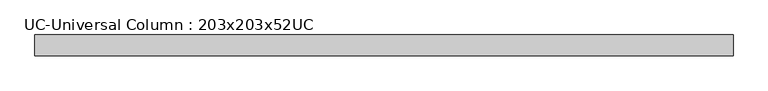
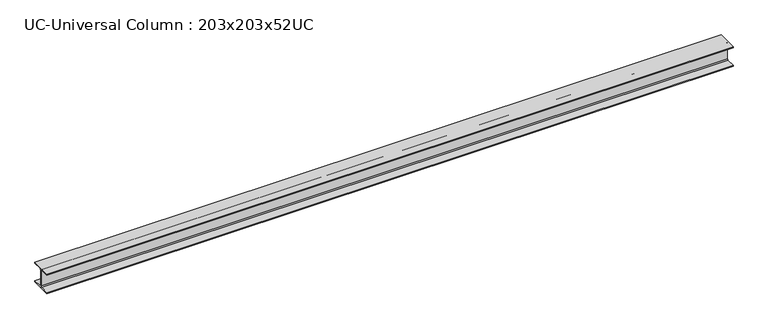
"""IFC4 building model written with IfcOpenShell, lengths in millimetres: beam geometry, UC-Universal Column : 203x203x52UC."""

from ifc_helpers import new_model, si_unit, point, frame, frame_2d, origin, place, context, project, spatial, polyline, circle_curve, trimmed, segment, composite_curve, outline, extrude, source, transform, mapped, element, save


def uc_universal_column_203x203x52uc_ecdcc5a6(model_context):
    return source(origin(), model_context, "Body", "SweptSolid", [
        extrude(outline(composite_curve([segment(polyline([(102.15, -90.6), (102.15, -103.1), (-102.15, -103.1), (-102.15, -90.6), (-14.15, -90.6)]), True, "CONTINUOUS"), segment(trimmed(circle_curve(frame_2d((-14.15, -80.4)), 10.2), [point((-14.15, -90.6))], [point((-3.95, -80.4))], True, "CARTESIAN"), True, "CONTINUOUS"), segment(polyline([(-3.95, -80.4), (-3.95, 80.4)]), True, "CONTINUOUS"), segment(trimmed(circle_curve(frame_2d((-14.15, 80.4)), 10.2), [point((-3.95, 80.4))], [point((-14.15, 90.6))], True, "CARTESIAN"), True, "CONTINUOUS"), segment(polyline([(-14.15, 90.6), (-102.15, 90.6), (-102.15, 103.1), (102.15, 103.1), (102.15, 90.6), (14.15, 90.6)]), True, "CONTINUOUS"), segment(trimmed(circle_curve(frame_2d((14.15, 80.4)), 10.2), [point((14.15, 90.6))], [point((3.95, 80.4))], True, "CARTESIAN"), True, "CONTINUOUS"), segment(polyline([(3.95, 80.4), (3.95, -80.4)]), True, "CONTINUOUS"), segment(trimmed(circle_curve(frame_2d((14.15, -80.4)), 10.2), [point((3.95, -80.4))], [point((14.15, -90.6))], True, "CARTESIAN"), True, "CONTINUOUS"), segment(polyline([(14.15, -90.6), (102.15, -90.6)]), True, "CONTINUOUS")], self_intersect=False)), frame((-3238.5, 0.0, 0.0), z_axis=(1.0, 0.0, 0.0), x_axis=(0.0, 1.0, 0.0)), (0.0, 0.0, 1.0), 6783.8313899),
    ])


if __name__ == "__main__":
    model = new_model("IFC4")
    model_context = context("Model", 3, world=origin())
    ifc_project = project(units=[si_unit("LENGTHUNIT", "METRE", prefix="MILLI")], contexts=[model_context])
    site = spatial("IfcSite", under=ifc_project)
    building = spatial("IfcBuilding", under=site)
    placement = place(None, origin())
    uc_universal_column_203x203x52uc_shape = uc_universal_column_203x203x52uc_ecdcc5a6(model_context)
    element("IfcBeam", 1, ObjectType="UC-Universal Column : 203x203x52UC", at=placement, inside=building, context=model_context, shape_type="MappedRepresentation", body=[
        mapped(uc_universal_column_203x203x52uc_shape, transform((0.0, 0.0, 0.0), x_axis=(1.0, 0.0, 0.0), y_axis=(0.0, 1.0, 0.0), z_axis=(0.0, 0.0, 1.0))),
    ])
    save(model, "model.ifc")
